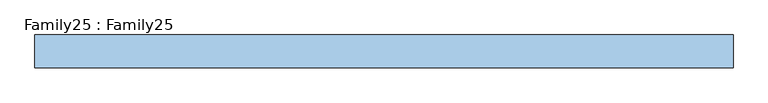
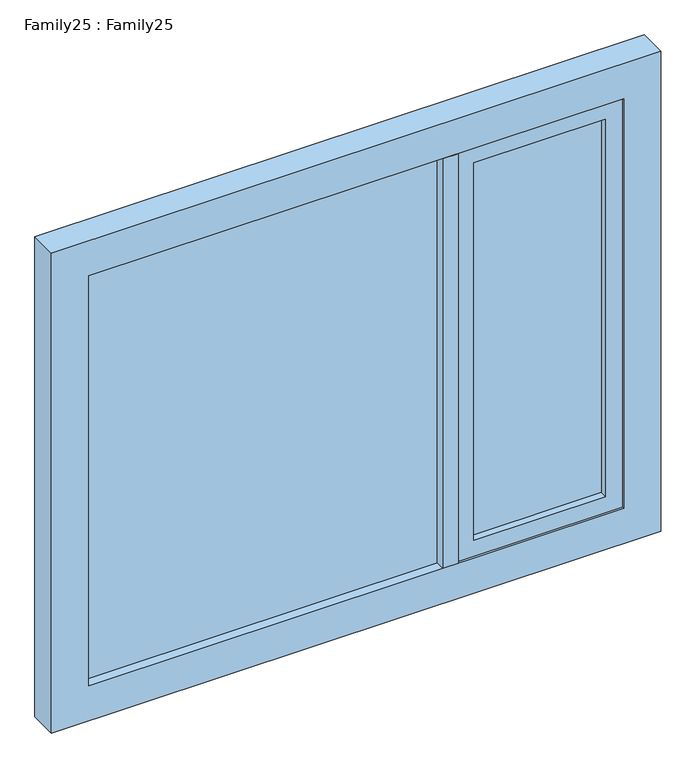
"""IFC4 building model written with IfcOpenShell, lengths in millimetres: window geometry, Family25 : Family25."""

from ifc_helpers import new_model, si_unit, frame, origin, place, context, project, spatial, polyline, outline, extrude, source, transform, mapped, element, save


def family25_family25_a56996e1(model_context):
    return source(origin(), model_context, "Body", "SweptSolid", [
        extrude(outline(polyline([(736.0, -14.0), (350.0, -14.0), (350.0, -10.0), (736.0, -10.0), (736.0, -14.0)])), frame((0.0, 0.0, 959.0), z_axis=(0.0, 0.0, 1.0), x_axis=(1.0, 0.0, 0.0)), (0.0, 0.0, 1.0), 1172.0),
        extrude(outline(polyline([(350.0, 14.0), (736.0, 14.0), (736.0, 10.0), (350.0, 10.0), (350.0, 14.0)])), frame((0.0, 0.0, 959.0), z_axis=(0.0, 0.0, 1.0), x_axis=(1.0, 0.0, 0.0)), (0.0, 0.0, 1.0), 1172.0),
        extrude(outline(polyline([(253.8050141, -14.0), (-786.0, -14.0), (-786.0, -10.0), (253.8050141, -10.0), (253.8050141, -14.0)])), frame((0.0, 0.0, 909.0), z_axis=(0.0, 0.0, 1.0), x_axis=(1.0, 0.0, 0.0)), (0.0, 0.0, 1.0), 1272.0),
        extrude(outline(polyline([(-786.0, 14.0), (253.8050141, 14.0), (253.8050141, 10.0), (-786.0, 10.0), (-786.0, 14.0)])), frame((0.0, 0.0, 909.0), z_axis=(0.0, 0.0, 1.0), x_axis=(1.0, 0.0, 0.0)), (0.0, 0.0, 1.0), 1272.0),
        extrude(outline(polyline([(300.0, 42.0), (300.0, -42.0), (253.8050141, -42.0), (253.8050141, 42.0), (300.0, 42.0)])), frame((0.0, 0.0, 909.0), z_axis=(0.0, 0.0, 1.0), x_axis=(1.0, 0.0, 0.0)), (0.0, 0.0, 1.0), 1272.0),
        extrude(outline(polyline([(2181.0, 786.0), (2181.0, 302.866818), (909.0, 302.866818), (909.0, 786.0), (2181.0, 786.0)]), holes=[polyline([(959.0, 350.0), (2131.0, 350.0), (2131.0, 736.0), (959.0, 736.0), (959.0, 350.0)])]), frame((0.0, -34.9035994, 0.0), z_axis=(0.0, 1.0, 0.0), x_axis=(0.0, 0.0, 1.0)), (0.0, 0.0, 1.0), 70.4146297),
        extrude(outline(polyline([(2290.0, 895.0), (2290.0, -895.0), (800.0, -895.0), (800.0, 895.0), (2290.0, 895.0)]), holes=[polyline([(909.0, 786.0), (909.0, -786.0), (2181.0, -786.0), (2181.0, 786.0), (909.0, 786.0)])]), frame((0.0, -42.0, 0.0), z_axis=(0.0, 1.0, 0.0), x_axis=(0.0, 0.0, 1.0)), (0.0, 0.0, 1.0), 84.0),
    ])


if __name__ == "__main__":
    model = new_model("IFC4")
    model_context = context("Model", 3, world=origin())
    ifc_project = project(units=[si_unit("LENGTHUNIT", "METRE", prefix="MILLI")], contexts=[model_context])
    site = spatial("IfcSite", under=ifc_project)
    building = spatial("IfcBuilding", under=site)
    placement = place(None, origin())
    family25_family25_shape = family25_family25_a56996e1(model_context)
    element("IfcWindow", 1, ObjectType="Family25 : Family25", at=placement, inside=building, context=model_context, shape_type="MappedRepresentation", body=[
        mapped(family25_family25_shape, transform((0.0, 0.0, 0.0), x_axis=(1.0, 0.0, 0.0), y_axis=(0.0, 1.0, 0.0), z_axis=(0.0, 0.0, 1.0))),
    ])
    save(model, "model.ifc")
